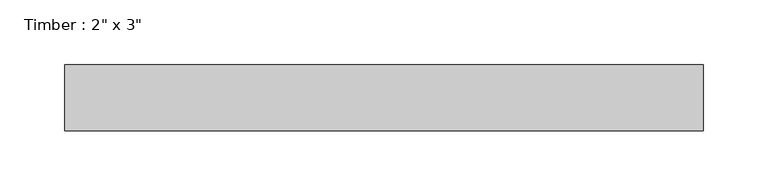
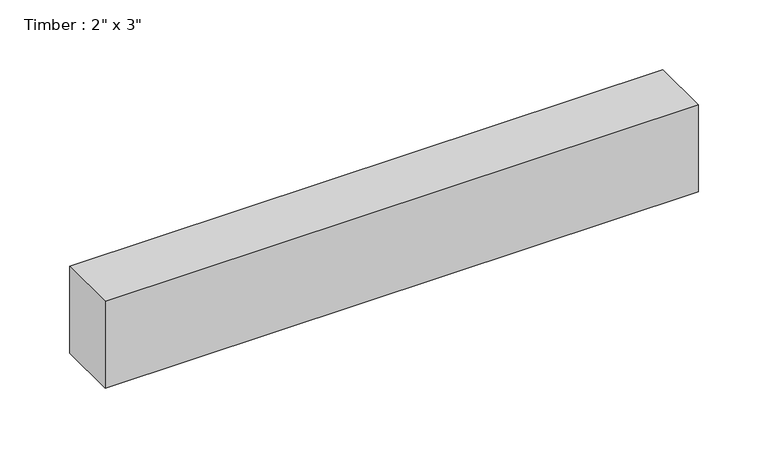
"""IFC4 building model written with IfcOpenShell, lengths in millimetres: beam geometry."""

from ifc_helpers import new_model, si_unit, frame, origin, place, context, project, spatial, polyline, outline, extrude, source, transform, mapped, element, save


def beam_dfc0b99b(model_context):
    return source(origin(), model_context, "Body", "SweptSolid", [
        extrude(outline(polyline([(245.7383247, 25.4), (245.7383247, -25.4), (-245.7383247, -25.4), (-245.7383247, 25.4), (245.7383247, 25.4)])), frame((0.0, 0.0, -38.1), z_axis=(0.0, 0.0, 1.0), x_axis=(1.0, 0.0, 0.0)), (0.0, 0.0, 1.0), 76.2),
    ])


if __name__ == "__main__":
    model = new_model("IFC4")
    model_context = context("Model", 3, world=origin())
    ifc_project = project(units=[si_unit("LENGTHUNIT", "METRE", prefix="MILLI")], contexts=[model_context])
    site = spatial("IfcSite", under=ifc_project)
    building = spatial("IfcBuilding", under=site)
    placement = place(None, origin())
    beam_shape = beam_dfc0b99b(model_context)
    element("IfcBeam", 1, ObjectType="Timber : 2\" x 3\"", at=placement, inside=building, context=model_context, shape_type="MappedRepresentation", body=[
        mapped(beam_shape, transform((0.0, 0.0, 0.0), x_axis=(1.0, 0.0, 0.0), y_axis=(0.0, 1.0, 0.0), z_axis=(0.0, 0.0, 1.0))),
    ])
    save(model, "model.ifc")
